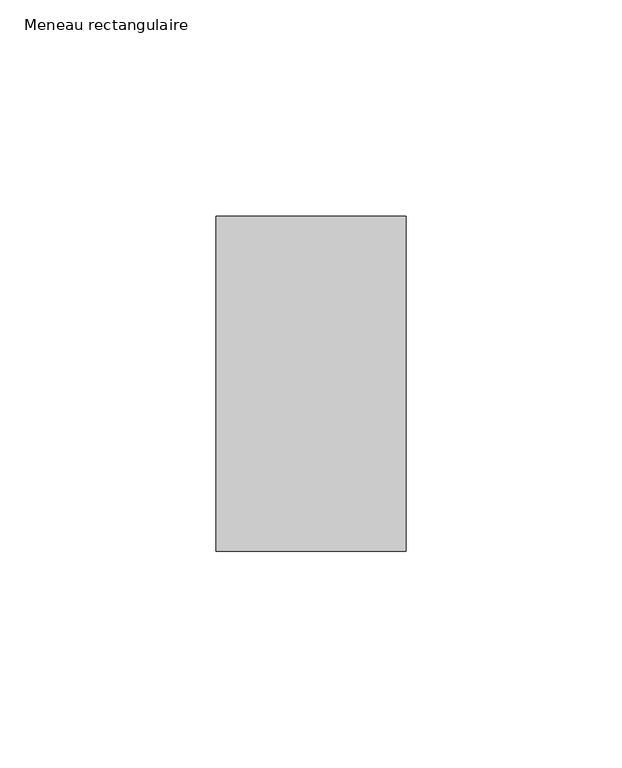
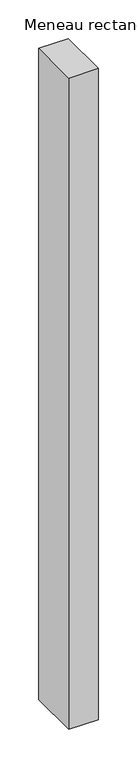
"""IFC4 building model written with IfcOpenShell, lengths in millimetres: member geometry, Meneau rectangulaire."""

from ifc_helpers import new_model, si_unit, frame, origin, place, context, project, spatial, polyline, outline, extrude, source, transform, mapped, element, save


def meneau_rectangulaire_e9a40f31(model_context):
    return source(origin(), model_context, "Body", "SweptSolid", [
        extrude(outline(polyline([(-44.0, 38.75), (0.0, 38.75), (0.0, -38.75), (-44.0, -38.75), (-44.0, 38.75)])), frame((0.0, 0.0, -1028.3830686), z_axis=(0.0, 0.0, 1.0), x_axis=(1.0, 0.0, 0.0)), (0.0, 0.0, 1.0), 1028.3830686),
    ])


if __name__ == "__main__":
    model = new_model("IFC4")
    model_context = context("Model", 3, world=origin())
    ifc_project = project(units=[si_unit("LENGTHUNIT", "METRE", prefix="MILLI")], contexts=[model_context])
    site = spatial("IfcSite", under=ifc_project)
    building = spatial("IfcBuilding", under=site)
    placement = place(None, origin())
    meneau_rectangulaire_shape = meneau_rectangulaire_e9a40f31(model_context)
    element("IfcMember", 1, ObjectType="Meneau rectangulaire", at=placement, inside=building, context=model_context, shape_type="MappedRepresentation", body=[
        mapped(meneau_rectangulaire_shape, transform((0.0, 0.0, 0.0), x_axis=(1.0, 0.0, 0.0), y_axis=(0.0, 1.0, 0.0), z_axis=(0.0, 0.0, 1.0))),
    ])
    save(model, "model.ifc")
